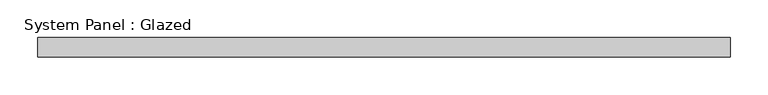
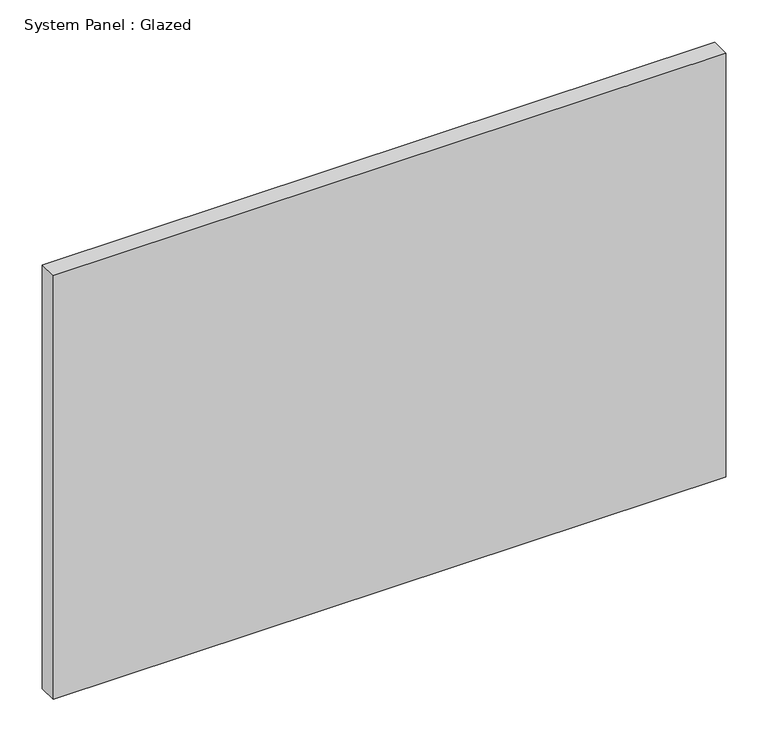
"""IFC4 building model written with IfcOpenShell, lengths in millimetres: plate geometry, System Panel : Glazed."""

from ifc_helpers import new_model, si_unit, origin, origin_with_axes, place, context, project, spatial, polyline, outline, extrude, source, transform, mapped, element, save


def system_panel_glazed_9c141809(model_context):
    return source(origin(), model_context, "Body", "SweptSolid", [
        extrude(outline(polyline([(457.2, -44.45), (-457.2, -44.45), (-457.2, -19.05), (457.2, -19.05), (457.2, -44.45)])), origin_with_axes(), (0.0, 0.0, 1.0), 609.6),
    ])


if __name__ == "__main__":
    model = new_model("IFC4")
    model_context = context("Model", 3, world=origin())
    ifc_project = project(units=[si_unit("LENGTHUNIT", "METRE", prefix="MILLI")], contexts=[model_context])
    site = spatial("IfcSite", under=ifc_project)
    building = spatial("IfcBuilding", under=site)
    placement = place(None, origin())
    system_panel_glazed_shape = system_panel_glazed_9c141809(model_context)
    element("IfcPlate", 1, ObjectType="System Panel : Glazed", at=placement, inside=building, context=model_context, shape_type="MappedRepresentation", body=[
        mapped(system_panel_glazed_shape, transform((0.0, 0.0, 0.0), x_axis=(1.0, 0.0, 0.0), y_axis=(0.0, 1.0, 0.0), z_axis=(0.0, 0.0, 1.0))),
    ])
    save(model, "model.ifc")
